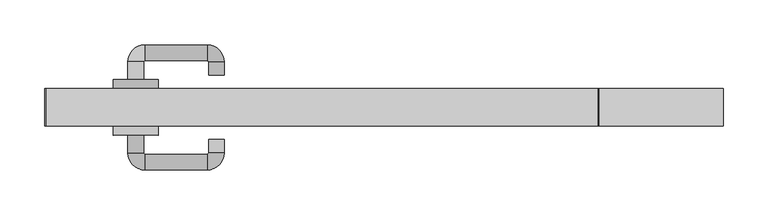
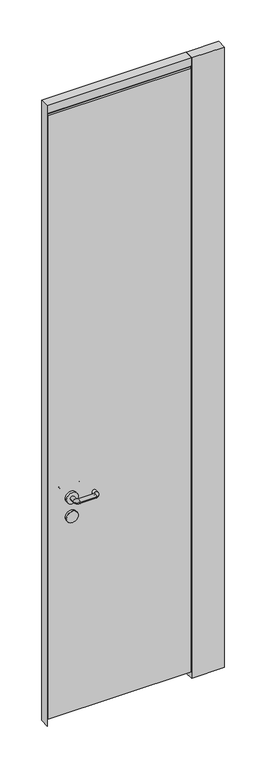
"""IFC4 building model written with IfcOpenShell, lengths in millimetres: proxy geometry."""

from ifc_helpers import new_model, si_unit, point, frame, frame_2d, origin, origin_with_axes, place, context, project, spatial, polyline, circle_curve, ellipse_curve, trimmed, segment, composite_curve, outline, extrude, source, transform, mapped, element, save
from ifc_brep_helpers import plane_surface, cylinder_surface, revolved_surface, advanced_brep


def specialty_equipment_136e5c53(model_context):
    return source(origin(), model_context, "Body", "SolidModel", [
        extrude(outline(composite_curve([segment(trimmed(circle_curve(frame_2d((914.8272444, -304.0)), 25.0), [point((914.8272444, -329.0))], [point((914.8272444, -279.0))], False, "CARTESIAN"), True, "CONTINUOUS"), segment(trimmed(circle_curve(frame_2d((914.8272444, -304.0)), 25.0), [point((914.8272444, -279.0))], [point((914.8272444, -329.0))], False, "CARTESIAN"), True, "CONTINUOUS")], self_intersect=False)), frame((0.0, 42.0, 0.0), z_axis=(0.0, 1.0, 0.0), x_axis=(0.0, 0.0, 1.0)), (0.0, 0.0, 1.0), 10.0),
        advanced_brep(
        [(-295.25, 52.0, 1000.0), (-312.75, 52.0, 1000.0), (-312.75, 72.0, 1000.0), (-295.25, 72.0, 1000.0), (-294.0, 73.25, 1000.0), (-294.0, 90.75, 1000.0), (-224.0, 90.75, 1000.0), (-224.0, 73.25, 1000.0), (-222.75, 72.0, 1000.0), (-205.25, 72.0, 1000.0), (-222.75, 57.0, 1000.0), (-205.25, 57.0, 1000.0)],
        [
            (0, 1, circle_curve(frame((-304.0, 52.0, 1000.0), z_axis=(0.0, -1.0, 0.0), x_axis=(-1.0, 0.0, 0.0)), 8.75)),
            (1, 0, circle_curve(frame((-304.0, 52.0, 1000.0), z_axis=(0.0, -1.0, 0.0), x_axis=(-1.0, 0.0, 0.0)), 8.75)),
            (1, 2),
            (2, 3, circle_curve(frame((-304.0, 72.0, 1000.0), z_axis=(0.0, -1.0, 0.0), x_axis=(-1.0, 0.0, 0.0)), 8.75)),
            (3, 0),
            (3, 2, circle_curve(frame((-304.0, 72.0, 1000.0), z_axis=(0.0, -1.0, 0.0), x_axis=(-1.0, 0.0, 0.0)), 8.75)),
            (4, 3, circle_curve(frame((-294.0, 72.0, 1000.0), z_axis=(0.0, 0.0, 1.0), x_axis=(-1.0, 0.0, 0.0)), 1.25)),
            (2, 5, circle_curve(frame((-294.0, 72.0, 1000.0), z_axis=(0.0, 0.0, -1.0), x_axis=(-1.0, 0.0, 0.0)), 18.75)),
            (5, 4, circle_curve(frame((-294.0, 82.0, 1000.0), z_axis=(-1.0, 0.0, 0.0), x_axis=(0.0, 1.0, 0.0)), 8.75)),
            (4, 5, circle_curve(frame((-294.0, 82.0, 1000.0), z_axis=(-1.0, 0.0, 0.0), x_axis=(0.0, 1.0, 0.0)), 8.75)),
            (5, 6),
            (6, 7, circle_curve(frame((-224.0, 82.0, 1000.0), z_axis=(-1.0, 0.0, 0.0), x_axis=(0.0, 1.0, 0.0)), 8.75)),
            (7, 4),
            (7, 6, circle_curve(frame((-224.0, 82.0, 1000.0), z_axis=(-1.0, 0.0, 0.0), x_axis=(0.0, 1.0, 0.0)), 8.75)),
            (8, 7, circle_curve(frame((-224.0, 72.0, 1000.0), z_axis=(0.0, 0.0, 1.0), x_axis=(0.0, 1.0, 0.0)), 1.25)),
            (6, 9, circle_curve(frame((-224.0, 72.0, 1000.0), z_axis=(0.0, 0.0, -1.0), x_axis=(0.0, 1.0, 0.0)), 18.75)),
            (9, 8, circle_curve(frame((-214.0, 72.0, 1000.0), z_axis=(0.0, 1.0, 0.0), x_axis=(1.0, 0.0, 0.0)), 8.75)),
            (8, 9, circle_curve(frame((-214.0, 72.0, 1000.0), z_axis=(0.0, 1.0, 0.0), x_axis=(1.0, 0.0, 0.0)), 8.75)),
            (10, 11, circle_curve(frame((-214.0, 57.0, 1000.0), z_axis=(0.0, -1.0, 0.0), x_axis=(1.0, 0.0, 0.0)), 8.75)),
            (11, 10, circle_curve(frame((-214.0, 57.0, 1000.0), z_axis=(0.0, -1.0, 0.0), x_axis=(1.0, 0.0, 0.0)), 8.75)),
            (9, 11),
            (10, 8),
        ],
        [
            plane_surface(frame((-304.0, 52.0, 1000.0), z_axis=(0.0, -1.0, 0.0), x_axis=(0.0, 0.0, 1.0))),
            cylinder_surface(frame((-304.0, 52.0, 1000.0), z_axis=(0.0, -1.0, 0.0), x_axis=(-1.0, 0.0, 0.0)), 8.75),
            revolved_surface(trimmed(ellipse_curve(frame((-304.0, 72.0, 1000.0), z_axis=(0.0, -1.0, 0.0), x_axis=(-1.0, 0.0, 0.0)), 8.75, 8.75), [point((-312.75, 72.0, 1000.0))], [point((-295.25, 72.0, 1000.0))], True, "CARTESIAN"), (-294.0, 72.0, 1000.0), (0.0, 0.0, -1.0)),
            revolved_surface(trimmed(ellipse_curve(frame((-304.0, 72.0, 1000.0), z_axis=(0.0, -1.0, 0.0), x_axis=(-1.0, 0.0, 0.0)), 8.75, 8.75), [point((-295.25, 72.0, 1000.0))], [point((-312.75, 72.0, 1000.0))], True, "CARTESIAN"), (-294.0, 72.0, 1000.0), (0.0, 0.0, -1.0)),
            cylinder_surface(frame((-294.0, 82.0, 1000.0), z_axis=(-1.0, 0.0, 0.0), x_axis=(0.0, 1.0, 0.0)), 8.75),
            revolved_surface(trimmed(ellipse_curve(frame((-224.0, 82.0, 1000.0), z_axis=(-1.0, 0.0, 0.0), x_axis=(0.0, 1.0, 0.0)), 8.75, 8.75), [point((-224.0, 90.75, 1000.0))], [point((-224.0, 73.25, 1000.0))], True, "CARTESIAN"), (-224.0, 72.0, 1000.0), (0.0, 0.0, -1.0)),
            revolved_surface(trimmed(ellipse_curve(frame((-224.0, 82.0, 1000.0), z_axis=(-1.0, 0.0, 0.0), x_axis=(0.0, 1.0, 0.0)), 8.75, 8.75), [point((-224.0, 73.25, 1000.0))], [point((-224.0, 90.75, 1000.0))], True, "CARTESIAN"), (-224.0, 72.0, 1000.0), (0.0, 0.0, -1.0)),
            plane_surface(frame((-214.0, 57.0, 1000.0), z_axis=(0.0, -1.0, 0.0), x_axis=(0.0, 0.0, 1.0))),
            cylinder_surface(frame((-214.0, 72.0, 1000.0), z_axis=(0.0, 1.0, 0.0), x_axis=(1.0, 0.0, 0.0)), 8.75),
        ],
        [
            (0, [[1, 2]]),
            (1, [[-2, 3, 4, 5]]),
            (1, [[-1, -5, 6, -3]]),
            (2, [[7, -4, 8, 9]]),
            (3, [[-8, -6, -7, 10]]),
            (4, [[-9, 11, 12, 13]]),
            (4, [[-10, -13, 14, -11]]),
            (5, [[15, -12, 16, 17]]),
            (6, [[-16, -14, -15, 18]]),
            (7, [[19, 20]]),
            (8, [[-17, 21, -19, 22]]),
            (8, [[-18, -22, -20, -21]]),
        ],
    ),
        extrude(outline(composite_curve([segment(trimmed(circle_curve(frame_2d((1000.0, -304.0)), 25.0), [point((1000.0, -329.0))], [point((1000.0, -279.0))], False, "CARTESIAN"), True, "CONTINUOUS"), segment(trimmed(circle_curve(frame_2d((1000.0, -304.0)), 25.0), [point((1000.0, -279.0))], [point((1000.0, -329.0))], False, "CARTESIAN"), True, "CONTINUOUS")], self_intersect=False)), frame((0.0, 42.0, 0.0), z_axis=(0.0, 1.0, 0.0), x_axis=(0.0, 0.0, 1.0)), (0.0, 0.0, 1.0), 10.0),
        extrude(outline(composite_curve([segment(trimmed(circle_curve(frame_2d((914.8272444, -304.0)), 25.0), [point((914.8272444, -329.0))], [point((914.8272444, -279.0))], False, "CARTESIAN"), True, "CONTINUOUS"), segment(trimmed(circle_curve(frame_2d((914.8272444, -304.0)), 25.0), [point((914.8272444, -279.0))], [point((914.8272444, -329.0))], False, "CARTESIAN"), True, "CONTINUOUS")], self_intersect=False)), frame((0.0, -10.0, 0.0), z_axis=(0.0, 1.0, 0.0), x_axis=(0.0, 0.0, 1.0)), (0.0, 0.0, 1.0), 10.0),
        advanced_brep(
        [(-312.75, -10.0, 1000.0), (-295.25, -10.0, 1000.0), (-312.75, -30.0, 1000.0), (-295.25, -30.0, 1000.0), (-294.0, -31.25, 1000.0), (-294.0, -48.75, 1000.0), (-224.0, -48.75, 1000.0), (-224.0, -31.25, 1000.0), (-222.75, -30.0, 1000.0), (-205.25, -30.0, 1000.0), (-205.25, -15.0, 1000.0), (-222.75, -15.0, 1000.0)],
        [
            (0, 1, circle_curve(frame((-304.0, -10.0, 1000.0), z_axis=(0.0, 1.0, 0.0), x_axis=(1.0, 0.0, 0.0)), 8.75)),
            (1, 0, circle_curve(frame((-304.0, -10.0, 1000.0), z_axis=(0.0, 1.0, 0.0), x_axis=(1.0, 0.0, 0.0)), 8.75)),
            (0, 2),
            (2, 3, circle_curve(frame((-304.0, -30.0, 1000.0), z_axis=(0.0, 1.0, 0.0), x_axis=(1.0, 0.0, 0.0)), 8.75)),
            (3, 1),
            (3, 2, circle_curve(frame((-304.0, -30.0, 1000.0), z_axis=(0.0, 1.0, 0.0), x_axis=(1.0, 0.0, 0.0)), 8.75)),
            (4, 3, circle_curve(frame((-294.0, -30.0, 1000.0), z_axis=(0.0, 0.0, -1.0), x_axis=(-1.0, 0.0, 0.0)), 1.25)),
            (2, 5, circle_curve(frame((-294.0, -30.0, 1000.0), z_axis=(0.0, 0.0, 1.0), x_axis=(-1.0, 0.0, 0.0)), 18.75)),
            (5, 4, circle_curve(frame((-294.0, -40.0, 1000.0), z_axis=(-1.0, 0.0, 0.0), x_axis=(0.0, 1.0, 0.0)), 8.75)),
            (4, 5, circle_curve(frame((-294.0, -40.0, 1000.0), z_axis=(-1.0, 0.0, 0.0), x_axis=(0.0, 1.0, 0.0)), 8.75)),
            (5, 6),
            (6, 7, circle_curve(frame((-224.0, -40.0, 1000.0), z_axis=(-1.0, 0.0, 0.0), x_axis=(0.0, 1.0, 0.0)), 8.75)),
            (7, 4),
            (7, 6, circle_curve(frame((-224.0, -40.0, 1000.0), z_axis=(-1.0, 0.0, 0.0), x_axis=(0.0, 1.0, 0.0)), 8.75)),
            (8, 7, circle_curve(frame((-224.0, -30.0, 1000.0), z_axis=(0.0, 0.0, -1.0), x_axis=(0.0, -1.0, 0.0)), 1.25)),
            (6, 9, circle_curve(frame((-224.0, -30.0, 1000.0), z_axis=(0.0, 0.0, 1.0), x_axis=(0.0, -1.0, 0.0)), 18.75)),
            (9, 8, circle_curve(frame((-214.0, -30.0, 1000.0), z_axis=(0.0, -1.0, 0.0), x_axis=(-1.0, 0.0, 0.0)), 8.75)),
            (8, 9, circle_curve(frame((-214.0, -30.0, 1000.0), z_axis=(0.0, -1.0, 0.0), x_axis=(-1.0, 0.0, 0.0)), 8.75)),
            (10, 11, circle_curve(frame((-214.0, -15.0, 1000.0), z_axis=(0.0, 1.0, 0.0), x_axis=(-1.0, 0.0, 0.0)), 8.75)),
            (11, 10, circle_curve(frame((-214.0, -15.0, 1000.0), z_axis=(0.0, 1.0, 0.0), x_axis=(-1.0, 0.0, 0.0)), 8.75)),
            (9, 10),
            (11, 8),
        ],
        [
            plane_surface(frame((-304.0, -10.0, 1000.0), z_axis=(0.0, 1.0, 0.0), x_axis=(0.0, 0.0, 1.0))),
            cylinder_surface(frame((-304.0, -10.0, 1000.0), z_axis=(0.0, 1.0, 0.0), x_axis=(1.0, 0.0, 0.0)), 8.75),
            revolved_surface(trimmed(ellipse_curve(frame((-304.0, -30.0, 1000.0), z_axis=(0.0, 1.0, 0.0), x_axis=(1.0, 0.0, 0.0)), 8.75, 8.75), [point((-312.75, -30.0, 1000.0))], [point((-295.25, -30.0, 1000.0))], True, "CARTESIAN"), (-294.0, -30.0, 1000.0), (0.0, 0.0, 1.0)),
            revolved_surface(trimmed(ellipse_curve(frame((-304.0, -30.0, 1000.0), z_axis=(0.0, 1.0, 0.0), x_axis=(1.0, 0.0, 0.0)), 8.75, 8.75), [point((-295.25, -30.0, 1000.0))], [point((-312.75, -30.0, 1000.0))], True, "CARTESIAN"), (-294.0, -30.0, 1000.0), (0.0, 0.0, 1.0)),
            cylinder_surface(frame((-294.0, -40.0, 1000.0), z_axis=(-1.0, 0.0, 0.0), x_axis=(0.0, 1.0, 0.0)), 8.75),
            revolved_surface(trimmed(ellipse_curve(frame((-224.0, -40.0, 1000.0), z_axis=(-1.0, 0.0, 0.0), x_axis=(0.0, 1.0, 0.0)), 8.75, 8.75), [point((-224.0, -48.75, 1000.0))], [point((-224.0, -31.25, 1000.0))], True, "CARTESIAN"), (-224.0, -30.0, 1000.0), (0.0, 0.0, 1.0)),
            revolved_surface(trimmed(ellipse_curve(frame((-224.0, -40.0, 1000.0), z_axis=(-1.0, 0.0, 0.0), x_axis=(0.0, 1.0, 0.0)), 8.75, 8.75), [point((-224.0, -31.25, 1000.0))], [point((-224.0, -48.75, 1000.0))], True, "CARTESIAN"), (-224.0, -30.0, 1000.0), (0.0, 0.0, 1.0)),
            plane_surface(frame((-214.0, -15.0, 1000.0), z_axis=(0.0, 1.0, 0.0), x_axis=(0.0, 0.0, 1.0))),
            cylinder_surface(frame((-214.0, -30.0, 1000.0), z_axis=(0.0, -1.0, 0.0), x_axis=(-1.0, 0.0, 0.0)), 8.75),
        ],
        [
            (0, [[1, 2]]),
            (1, [[-1, 3, 4, 5]]),
            (1, [[-2, -5, 6, -3]]),
            (2, [[7, -4, 8, 9]]),
            (3, [[-8, -6, -7, 10]]),
            (4, [[-9, 11, 12, 13]]),
            (4, [[-10, -13, 14, -11]]),
            (5, [[15, -12, 16, 17]]),
            (6, [[-16, -14, -15, 18]]),
            (7, [[19, 20]]),
            (8, [[-17, 21, -20, 22]]),
            (8, [[-18, -22, -19, -21]]),
        ],
    ),
        extrude(outline(composite_curve([segment(trimmed(circle_curve(frame_2d((1000.0, -304.0)), 25.0), [point((1000.0, -329.0))], [point((1000.0, -279.0))], False, "CARTESIAN"), True, "CONTINUOUS"), segment(trimmed(circle_curve(frame_2d((1000.0, -304.0)), 25.0), [point((1000.0, -279.0))], [point((1000.0, -329.0))], False, "CARTESIAN"), True, "CONTINUOUS")], self_intersect=False)), frame((0.0, -10.0, 0.0), z_axis=(0.0, 1.0, 0.0), x_axis=(0.0, 0.0, 1.0)), (0.0, 0.0, 1.0), 10.0),
        extrude(outline(polyline([(211.0, 0.0), (-404.0, 0.0), (-404.0, 42.0), (211.0, 42.0), (211.0, 0.0)])), frame((0.0, 0.0, 2762.0), z_axis=(0.0, 0.0, 1.0), x_axis=(1.0, 0.0, 0.0)), (0.0, 0.0, 1.0), 1.3),
        extrude(outline(polyline([(211.0, 0.0), (-404.0, 0.0), (-404.0, 42.0), (211.0, 42.0), (211.0, 0.0)])), frame((0.0, 0.0, 2763.3), z_axis=(0.0, 0.0, 1.0), x_axis=(1.0, 0.0, 0.0)), (0.0, 0.0, 1.0), 36.7),
        extrude(outline(polyline([(-402.7, 42.0), (-402.7, 0.0), (-404.0, 0.0), (-404.0, 42.0), (-402.7, 42.0)])), frame((0.0, 0.0, 30.0), z_axis=(0.0, 0.0, 1.0), x_axis=(1.0, 0.0, 0.0)), (0.0, 0.0, 1.0), 2724.5),
        extrude(outline(polyline([(209.7, 42.0), (211.0, 42.0), (211.0, 0.0), (209.7, 0.0), (209.7, 42.0)])), frame((0.0, 0.0, 30.0), z_axis=(0.0, 0.0, 1.0), x_axis=(1.0, 0.0, 0.0)), (0.0, 0.0, 1.0), 2724.5),
        extrude(outline(polyline([(209.7, 42.0), (209.7, 0.0), (-402.7, 0.0), (-402.7, 42.0), (209.7, 42.0)])), frame((0.0, 0.0, 30.0), z_axis=(0.0, 0.0, 1.0), x_axis=(1.0, 0.0, 0.0)), (0.0, 0.0, 1.0), 2724.5),
        extrude(outline(polyline([(-405.3, 42.0), (-404.0, 42.0), (-404.0, 0.0), (-405.3, 0.0), (-405.3, 42.0)])), origin_with_axes(), (0.0, 0.0, 1.0), 2800.0),
        extrude(outline(polyline([(212.3, 42.0), (212.3, 0.0), (211.0, 0.0), (211.0, 42.0), (212.3, 42.0)])), origin_with_axes(), (0.0, 0.0, 1.0), 2800.0),
        extrude(outline(polyline([(351.0, 0.0), (212.3, 0.0), (212.3, 42.0), (351.0, 42.0), (351.0, 0.0)])), origin_with_axes(), (0.0, 0.0, 1.0), 2800.0),
    ])


if __name__ == "__main__":
    model = new_model("IFC4")
    model_context = context("Model", 3, world=origin())
    ifc_project = project(units=[si_unit("LENGTHUNIT", "METRE", prefix="MILLI")], contexts=[model_context])
    site = spatial("IfcSite", under=ifc_project)
    building = spatial("IfcBuilding", under=site)
    placement = place(None, origin())
    specialty_equipment_shape = specialty_equipment_136e5c53(model_context)
    element("IfcBuildingElementProxy", 1, Name="Specialty Equipment", at=placement, inside=building, context=model_context, shape_type="MappedRepresentation", body=[
        mapped(specialty_equipment_shape, transform((0.0, 0.0, 0.0), x_axis=(1.0, 0.0, 0.0), y_axis=(0.0, 1.0, 0.0), z_axis=(0.0, 0.0, 1.0))),
    ])
    save(model, "model.ifc")
